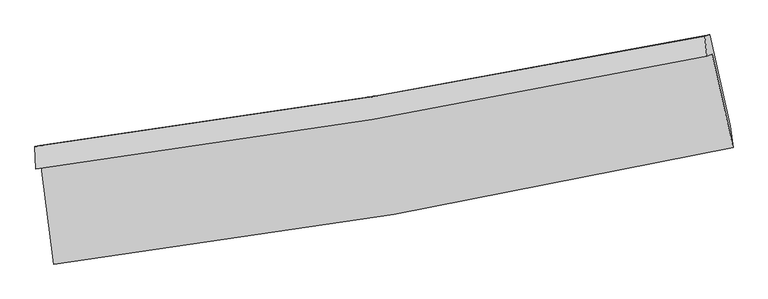
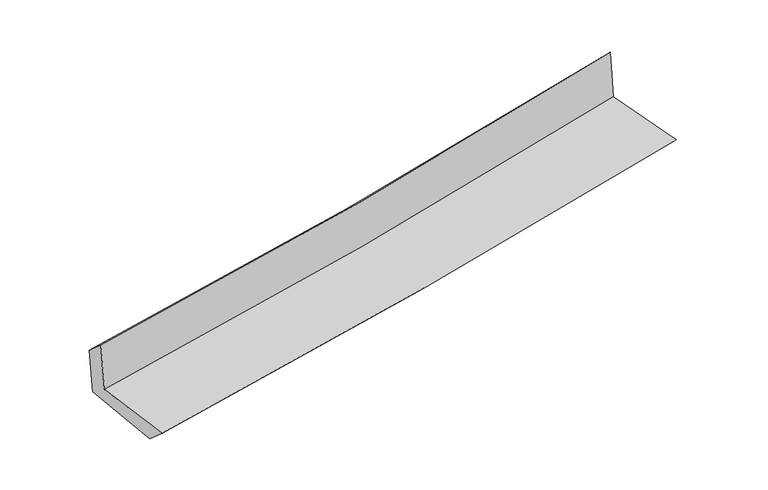
"""IFC4 building model written with IfcOpenShell, lengths in millimetres: proxy geometry."""

from ifc_helpers import new_model, si_unit, frame, origin, place, context, project, spatial, source, transform, mapped, element, save
from ifc_brep_helpers import plane_surface, spline_curve, spline_surface, advanced_brep


def generic_models_7783cee5(model_context):
    return source(origin(), model_context, "Body", "AdvancedBrep", [
        advanced_brep(
        [(-2324.3443207, -1872.1936261, 1679.6327807), (-2239.2075896, -2538.2995456, 1675.6515276), (2411.0245759, -1739.9236049, 2092.1990788), (2267.8802265, -1099.3917748, 2124.97386), (-2360.0988511, -1885.6161465, 2078.9424479), (2231.7836502, -1112.8891253, 2525.1291769), (-2367.1505055, -1732.2807658, 1946.1266515), (2217.2579823, -975.0420037, 2365.337763), (-2333.3627434, -1724.2397996, 1575.0799123), (2251.2346894, -966.9968509, 1999.115909), (-2246.3196723, -2379.8617934, 1536.5591548), (2391.1391739, -1593.031171, 1967.0829375)],
        [
            (0, 1),
            (1, 2, spline_curve(3, [(-2239.2075896, -2538.2995456, 1675.6515276), (-1460.373926558, -2442.822917139, 1757.076470475), (-684.232604515, -2328.72923, 1832.44208031), (865.867120481, -2062.758369368, 1971.341534342), (1639.803186786, -1910.726743171, 2034.825107976), (2411.0245759, -1739.9236049, 2092.1990788)], [4, 2, 4], [0.0, 7.708332797580006, 15.448574941471065])),
            (2, 3),
            (3, 0, spline_curve(3, [(2267.8802265, -1099.3917748, 2124.97386), (1506.249353195, -1260.285005199, 2051.352432293), (741.952598034, -1405.231924974, 1977.352526556), (-788.810852737, -1662.701334914, 1828.902386034), (-1555.255613432, -1775.355032358, 1754.455265201), (-2324.3443207, -1872.1936261, 1679.6327807)], [4, 2, 4], [0.0, 7.740242143891059, 15.448574941471065])),
            (4, 0),
            (3, 5),
            (5, 4, spline_curve(3, [(2231.7836502, -1112.8891253, 2525.1291769), (1470.525113571, -1273.649727124, 2447.856483172), (706.442763919, -1418.524207923, 2371.963953277), (-824.207971038, -1675.969169663, 2223.24639946), (-1590.75312169, -1788.67036259, 2150.410019911), (-2360.0988511, -1885.6161465, 2078.9424479)], [4, 2, 4], [0.0, 7.691496963937465, 15.351285534815625])),
            (6, 4),
            (5, 7),
            (7, 6, spline_curve(3, [(2217.2579823, -975.0420037, 2365.337763), (1455.716118111, -1128.631011473, 2298.010773827), (692.117807304, -1268.631075999, 2229.338088776), (-836.035275574, -1520.932186317, 2089.589979192), (-1600.573127766, -1633.345042118, 2018.525627159), (-2367.1505055, -1732.2807658, 1946.1266515)], [4, 2, 4], [0.0, 7.68079167247804, 15.329919084734765])),
            (8, 6),
            (7, 9),
            (9, 8, spline_curve(3, [(2251.2346894, -966.9968509, 1999.115909), (1489.803991296, -1120.557624051, 1929.454260108), (726.245338243, -1260.543950843, 1859.212919803), (-801.971314809, -1512.846575944, 1717.862817713), (-1566.611806126, -1625.274565143, 1646.758825873), (-2333.3627434, -1724.2397996, 1575.0799123)], [4, 2, 4], [0.0, 7.6709102596469725, 15.310196995449893])),
            (10, 8),
            (9, 11),
            (11, 10, spline_curve(3, [(2391.1391739, -1593.031171, 1967.0829375), (1623.010835363, -1761.825718096, 1895.809556976), (851.686944949, -1911.889034778, 1824.22113057), (-694.158963728, -2174.011787136, 1680.710610732), (-1468.654688518, -2286.225344669, 1608.791109508), (-2246.3196723, -2379.8617934, 1536.5591548)], [4, 2, 4], [0.0, 7.719140942084375, 15.406459528102125])),
            (1, 10),
            (11, 2),
        ],
        [
            spline_surface(3, 3, [[(-2324.3443207, -1872.1936261, 1679.6327807), (-1555.255613326, -1775.355032267, 1754.455265244), (-788.810852729, -1662.70133493, 1828.902386009), (741.952598026, -1405.231924958, 1977.352526581), (1506.249353168, -1260.285005212, 2051.352432247), (2267.8802265, -1099.3917748, 2124.97386)], [(-2295.965410346, -2094.228932605, 1678.305696331), (-1523.628384432, -1997.844327241, 1755.329000289), (-753.951436661, -1884.710633251, 1830.082284131), (783.257438858, -1624.407406424, 1975.348862476), (1550.767297761, -1477.098917839, 2045.843324164), (2315.595009655, -1312.902384828, 2114.048932931)], [(-2267.586499954, -2316.264239095, 1676.978611969), (-1492.001155499, -2220.333622198, 1756.202735341), (-719.092020609, -2106.719931631, 1831.262182258), (824.562279675, -1843.58288795, 1973.345198376), (1595.28524229, -1693.912830482, 2040.334216089), (2363.309792745, -1526.412994872, 2103.124005869)], [(-2239.2075896, -2538.2995456, 1675.6515276), (-1460.373926604, -2442.822917172, 1757.076470385), (-684.232604541, -2328.729229952, 1832.442080381), (865.867120507, -2062.758369416, 1971.341534271), (1639.803186883, -1910.726743109, 2034.825108006), (2411.0245759, -1739.9236049, 2092.1990788)]], [4, 4], [4, 2, 4], [0.0, 2.2032706779974958], [0.0, 7.708332797580006, 15.448574941471065]),
            spline_surface(3, 3, [[(-2360.0988511, -1885.6161465, 2078.9424479), (-1590.753121806, -1788.670362663, 2150.410019953), (-824.20797102, -1675.969169721, 2223.246399556), (706.4427639, -1418.524207865, 2371.963953181), (1470.525113557, -1273.649727104, 2447.8564832), (2231.7836502, -1112.8891253, 2525.1291769)], [(-2348.180674307, -1881.14197303, 1945.839225514), (-1578.920618986, -1784.231919195, 2018.42510173), (-812.408931602, -1671.546558119, 2091.798395023), (718.279375263, -1414.09344689, 2240.426810964), (1482.433193422, -1269.19481981, 2315.688466209), (2243.815842295, -1108.39000847, 2391.74407126)], [(-2336.262497493, -1876.66779957, 1812.736003086), (-1567.088116146, -1779.793475735, 1886.440183467), (-800.609892146, -1667.123946532, 1960.350390541), (730.115986663, -1409.662685932, 2108.889668798), (1494.341273303, -1264.739912506, 2183.520449239), (2255.848034405, -1103.89089163, 2258.35896564)], [(-2324.3443207, -1872.1936261, 1679.6327807), (-1555.255613326, -1775.355032267, 1754.455265244), (-788.810852729, -1662.70133493, 1828.902386009), (741.952598026, -1405.231924958, 1977.352526581), (1506.249353168, -1260.285005212, 2051.352432247), (2267.8802265, -1099.3917748, 2124.97386)]], [4, 4], [4, 2, 4], [0.0, 1.3001668898713148], [0.0, 7.659788570878161, 15.351285534815625]),
            spline_surface(3, 3, [[(-2367.1505055, -1732.2807658, 1946.1266515), (-1600.573127644, -1633.345042232, 2018.525627109), (-836.0352757, -1520.932186221, 2089.589979167), (692.11780743, -1268.631076096, 2229.338088801), (1455.71611814, -1128.631011425, 2298.010773898), (2217.2579823, -975.0420037, 2365.337763)], [(-2364.79995404, -1783.392559374, 1990.398583637), (-1597.299792372, -1685.120149049, 2062.487091394), (-832.092840785, -1572.611180743, 2134.14211931), (696.892792942, -1318.595453374, 2276.880043608), (1460.652449961, -1176.970583319, 2347.959343685), (2222.099871615, -1020.991044234, 2418.601567653)], [(-2362.44940256, -1834.504352926, 2034.670515763), (-1594.026457079, -1736.895255845, 2106.448555668), (-828.150405935, -1624.290175198, 2178.694259412), (701.667778388, -1368.559830586, 2324.421998374), (1465.588781736, -1225.31015521, 2397.907913413), (2226.941760885, -1066.940084766, 2471.865372247)], [(-2360.0988511, -1885.6161465, 2078.9424479), (-1590.753121806, -1788.670362663, 2150.410019953), (-824.20797102, -1675.969169721, 2223.246399556), (706.4427639, -1418.524207865, 2371.963953181), (1470.525113557, -1273.649727104, 2447.8564832), (2231.7836502, -1112.8891253, 2525.1291769)]], [4, 4], [4, 2, 4], [0.0, 0.6763749547314764], [0.0, 7.649127412256726, 15.329919084734765]),
            spline_surface(3, 3, [[(-2333.3627434, -1724.2397996, 1575.0799123), (-1566.61180616, -1625.274565245, 1646.758825829), (-801.971314875, -1512.846575848, 1717.862817783), (726.24533831, -1260.543950939, 1859.212919733), (1489.803991319, -1120.557624062, 1929.454260045), (2251.2346894, -966.9968509, 1999.115909)], [(-2344.625330764, -1726.920121676, 1698.762158669), (-1577.932246652, -1627.964724251, 1770.681092892), (-813.325968494, -1515.541779289, 1841.771871578), (714.869494673, -1263.239659308, 1982.58797609), (1478.441366916, -1123.248753163, 2052.306431321), (2239.909120356, -969.67856848, 2121.189860325)], [(-2355.887918136, -1729.600443724, 1822.444405131), (-1589.252687152, -1630.654883227, 1894.603360047), (-824.680622082, -1518.23698278, 1965.680925371), (703.493651067, -1265.935367727, 2105.963032445), (1467.078742544, -1125.939882324, 2175.158602623), (2228.583551344, -972.36028612, 2243.263811675)], [(-2367.1505055, -1732.2807658, 1946.1266515), (-1600.573127644, -1633.345042232, 2018.525627109), (-836.0352757, -1520.932186221, 2089.589979167), (692.11780743, -1268.631076096, 2229.338088801), (1455.71611814, -1128.631011425, 2298.010773898), (2217.2579823, -975.0420037, 2365.337763)]], [4, 4], [4, 2, 4], [0.0, 1.2223569232476423], [0.0, 7.63928673580292, 15.310196995449893]),
            spline_surface(3, 3, [[(-2246.3196723, -2379.8617934, 1536.5591548), (-1468.654688582, -2286.22534473, 1608.791109504), (-694.158963672, -2174.011787229, 1680.710610763), (851.686944893, -1911.889034685, 1824.22113054), (1623.010835413, -1761.825718098, 1895.809556852), (2391.1391739, -1593.031171, 1967.0829375)], [(-2275.334029328, -2161.321128782, 1549.399407319), (-1501.307061103, -2065.908418218, 1621.447014965), (-730.096414089, -1953.623383432, 1693.094679741), (809.873076016, -1694.774006767, 1835.885060243), (1578.608554055, -1548.069686778, 1907.024457921), (2344.50434574, -1384.353064326, 1977.760594671)], [(-2304.348386372, -1942.780464218, 1562.239659781), (-1533.959433639, -1845.591491758, 1634.102920369), (-766.033864458, -1733.234979645, 1705.478748804), (768.059207187, -1477.658978858, 1847.54899003), (1534.206272678, -1334.313655382, 1918.239358976), (2297.86951756, -1175.674957574, 1988.438251829)], [(-2333.3627434, -1724.2397996, 1575.0799123), (-1566.61180616, -1625.274565245, 1646.758825829), (-801.971314875, -1512.846575848, 1717.862817783), (726.24533831, -1260.543950939, 1859.212919733), (1489.803991319, -1120.557624062, 1929.454260045), (2251.2346894, -966.9968509, 1999.115909)]], [4, 4], [4, 2, 4], [0.0, 2.189958347318999], [0.0, 7.68731858601775, 15.406459528102125]),
            spline_surface(3, 3, [[(-2239.2075896, -2538.2995456, 1675.6515276), (-1460.373926604, -2442.822917172, 1757.076470385), (-684.232604541, -2328.729229952, 1832.442080381), (865.867120507, -2062.758369416, 1971.341534271), (1639.803186883, -1910.726743109, 2034.825108006), (2411.0245759, -1739.9236049, 2092.1990788)], [(-2241.578283814, -2485.486961532, 1629.28740333), (-1463.134180577, -2390.623726356, 1707.648016755), (-687.541390906, -2277.156749067, 1781.864923874), (861.140395315, -2012.468591195, 1922.301399726), (1634.205736366, -1861.093068101, 1988.486590948), (2404.39610854, -1690.959460262, 2050.49369836)], [(-2243.948978086, -2432.674377468, 1582.92327907), (-1465.894434609, -2338.424535546, 1658.219563134), (-690.850177307, -2225.584268114, 1731.28776727), (856.413670086, -1962.178812907, 1873.261265085), (1628.60828593, -1811.459393106, 1942.14807391), (2397.76764126, -1641.995315638, 2008.78831794)], [(-2246.3196723, -2379.8617934, 1536.5591548), (-1468.654688582, -2286.22534473, 1608.791109504), (-694.158963672, -2174.011787229, 1680.710610763), (851.686944893, -1911.889034685, 1824.22113054), (1623.010835413, -1761.825718098, 1895.809556852), (2391.1391739, -1593.031171, 1967.0829375)]], [4, 4], [4, 2, 4], [0.0, 0.7022386696808144], [0.0, 7.745869938571371, 15.523804611870833]),
            plane_surface(frame((2295.053383, -1247.8790884, 2178.9731209), z_axis=(0.9725452185157201, 0.21248611972594192, 0.09489703296743862), x_axis=(-0.09235747935677822, -0.021868806331123532, 0.9954857363701974))),
            plane_surface(frame((-2311.7472804, -2022.0819462, 1748.6654125), z_axis=(-0.9877320457668912, -0.1256907389371108, -0.09266738320787539), x_axis=(-0.12677901627684493, 0.9919132689152995, 0.0059285733225092185))),
        ],
        [
            (0, [[1, 2, 3, 4]]),
            (1, [[5, -4, 6, 7]]),
            (2, [[8, -7, 9, 10]]),
            (3, [[11, -10, 12, 13]]),
            (4, [[14, -13, 15, 16]]),
            (5, [[17, -16, 18, -2]]),
            (6, [[-12, -9, -6, -3, -18, -15]]),
            (7, [[-1, -5, -8, -11, -14, -17]]),
        ],
    ),
    ])


if __name__ == "__main__":
    model = new_model("IFC4")
    model_context = context("Model", 3, world=origin())
    ifc_project = project(units=[si_unit("LENGTHUNIT", "METRE", prefix="MILLI")], contexts=[model_context])
    site = spatial("IfcSite", under=ifc_project)
    building = spatial("IfcBuilding", under=site)
    placement = place(None, origin())
    generic_models_shape = generic_models_7783cee5(model_context)
    element("IfcBuildingElementProxy", 1, Name="Generic Models", at=placement, inside=building, context=model_context, shape_type="MappedRepresentation", body=[
        mapped(generic_models_shape, transform((0.0, 0.0, 0.0), x_axis=(1.0, 0.0, 0.0), y_axis=(0.0, 1.0, 0.0), z_axis=(0.0, 0.0, 1.0))),
    ])
    save(model, "model.ifc")
